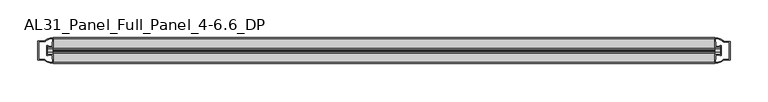
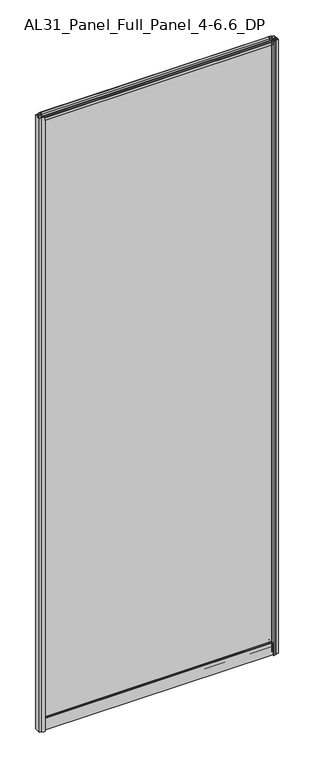
"""IFC4 building model written with IfcOpenShell, lengths in millimetres: plate geometry, AL31_Panel_Full_Panel_4-6.6_DP."""

from ifc_helpers import new_model, si_unit, point, frame, frame_2d, origin, origin_with_axes, place, context, project, spatial, polyline, circle_curve, trimmed, segment, composite_curve, outline, extrude, source, transform, mapped, element, save


def al31_panel_full_panel_4_6_6_dp_337364ea(model_context):
    return source(origin(), model_context, "Body", "SweptSolid", [
        extrude(outline(composite_curve([segment(trimmed(circle_curve(frame_2d((-19.957, 2461.8572926)), 3.0), [point((-18.457, 2464.4553688))], [point((-17.4851586, 2460.1572926))], False, "CARTESIAN"), True, "CONTINUOUS"), segment(polyline([(-17.4851586, 2460.1572926), (-4.157, 2460.1572926), (-4.157, 2469.5572926), (-2.857, 2469.5572926), (-2.857, 2459.0572926), (-13.1545312, 2459.0572926), (-13.1545312, 2458.2572926), (-13.6601218, 2456.3357964), (-13.6601218, 2451.6572926), (-14.857, 2451.6572926), (-14.857, 2456.9912672), (-14.357, 2457.8572926), (-14.357, 2459.0572926), (-25.357, 2459.0572926), (-25.357, 2457.8572926), (-24.857, 2456.9912672), (-24.857, 2451.6572926), (-26.0538782, 2451.6572926), (-26.0538782, 2456.3357964), (-26.5594688, 2458.2572926), (-26.5594688, 2459.0572926), (-36.857, 2459.0572926), (-36.857, 2469.5572926), (-35.557, 2469.5572926), (-35.557, 2460.1572926), (-22.4288414, 2460.1572926)]), True, "CONTINUOUS"), segment(trimmed(circle_curve(frame_2d((-19.957, 2461.8572926)), 3.0), [point((-22.4288414, 2460.1572926))], [point((-21.457, 2464.4553688))], False, "CARTESIAN"), True, "CONTINUOUS"), segment(polyline([(-21.457, 2464.4553688), (-20.907, 2463.5027409)]), True, "CONTINUOUS"), segment(trimmed(circle_curve(frame_2d((-19.957, 2461.8572926)), 1.9), [point((-20.907, 2463.5027409))], [point((-19.007, 2463.5027409))], True, "CARTESIAN"), True, "CONTINUOUS"), segment(polyline([(-19.007, 2463.5027409), (-18.457, 2464.4553688)]), True, "CONTINUOUS")], self_intersect=False)), frame((-435.5, 0.0, 0.0), z_axis=(1.0, 0.0, 0.0), x_axis=(0.0, 1.0, 0.0)), (0.0, 0.0, 1.0), 871.0),
        extrude(outline(composite_curve([segment(polyline([(-11.457, 35.8), (-28.257, 35.8)]), True, "CONTINUOUS"), segment(trimmed(circle_curve(frame_2d((-28.257, 34.8)), 1.0), [point((-28.257, 35.8))], [point((-29.257, 34.8))], True, "CARTESIAN"), True, "CONTINUOUS"), segment(polyline([(-29.257, 34.8), (-29.257, 33.5), (-24.8569697, 33.5), (-24.8569697, 32.3), (-29.257, 32.3), (-29.257, 0.0), (-30.457, 0.0), (-30.457, 47.3)]), True, "CONTINUOUS"), segment(trimmed(circle_curve(frame_2d((-28.457, 47.3)), 2.0), [point((-30.457, 47.3))], [point((-28.457, 49.3))], False, "CARTESIAN"), True, "CONTINUOUS"), segment(polyline([(-28.457, 49.3), (-24.857, 49.3), (-24.857, 41.9), (-14.857, 41.9), (-14.857, 49.3), (-11.257, 49.3)]), True, "CONTINUOUS"), segment(trimmed(circle_curve(frame_2d((-11.257, 47.3)), 2.0), [point((-11.257, 49.3))], [point((-9.257, 47.3))], False, "CARTESIAN"), True, "CONTINUOUS"), segment(polyline([(-9.257, 47.3), (-9.257, 0.0), (-10.457, 0.0), (-10.457, 32.3), (-14.8569697, 32.3), (-14.8569697, 33.5), (-10.457, 33.5), (-10.457, 34.8)]), True, "CONTINUOUS"), segment(trimmed(circle_curve(frame_2d((-11.457, 34.8)), 1.0), [point((-10.457, 34.8))], [point((-11.457, 35.8))], True, "CARTESIAN"), True, "CONTINUOUS")], self_intersect=False), holes=[composite_curve([segment(polyline([(-26.3594688, 41.8), (-26.3594688, 42.9)]), True, "CONTINUOUS"), segment(trimmed(circle_curve(frame_2d((-25.1594688, 42.9)), 1.2), [point((-26.3594688, 42.9))], [point((-25.9768184, 43.7786009))], False, "CARTESIAN"), True, "CONTINUOUS"), segment(polyline([(-25.9768184, 43.7786009), (-25.9768184, 48.2), (-28.257, 48.2)]), True, "CONTINUOUS"), segment(trimmed(circle_curve(frame_2d((-28.257, 47.2)), 1.0), [point((-28.257, 48.2))], [point((-29.257, 47.2))], True, "CARTESIAN"), True, "CONTINUOUS"), segment(polyline([(-29.257, 47.2), (-29.257, 37.04), (-22.6578965, 37.04), (-22.6578965, 38.0725806), (-21.6940508, 38.0725806)]), True, "CONTINUOUS"), segment(trimmed(circle_curve(frame_2d((-19.857, 39.1)), 2.1048387), [point((-21.6940508, 38.0725806))], [point((-18.0199492, 38.0725806))], True, "CARTESIAN"), True, "CONTINUOUS"), segment(polyline([(-18.0199492, 38.0725806), (-17.0561035, 38.0725806), (-17.0561035, 37.04), (-10.457, 37.04), (-10.457, 47.2)]), True, "CONTINUOUS"), segment(trimmed(circle_curve(frame_2d((-11.457, 47.2)), 1.0), [point((-10.457, 47.2))], [point((-11.457, 48.2))], True, "CARTESIAN"), True, "CONTINUOUS"), segment(polyline([(-11.457, 48.2), (-13.7371816, 48.2), (-13.7371816, 43.5786009)]), True, "CONTINUOUS"), segment(trimmed(circle_curve(frame_2d((-14.5545312, 42.7)), 1.2), [point((-13.7371816, 43.5786009))], [point((-13.3545312, 42.7))], False, "CARTESIAN"), True, "CONTINUOUS"), segment(polyline([(-13.3545312, 42.7), (-13.3545312, 41.8)]), True, "CONTINUOUS"), segment(trimmed(circle_curve(frame_2d((-14.3545312, 41.8)), 1.0), [point((-13.3545312, 41.8))], [point((-14.3545312, 40.8))], False, "CARTESIAN"), True, "CONTINUOUS"), segment(polyline([(-14.3545312, 40.8), (-17.0561035, 40.8), (-17.0561035, 39.7274194), (-18.0199492, 39.7274194)]), True, "CONTINUOUS"), segment(trimmed(circle_curve(frame_2d((-19.857, 38.7)), 2.1048387), [point((-18.0199492, 39.7274194))], [point((-21.6940508, 39.7274194))], True, "CARTESIAN"), True, "CONTINUOUS"), segment(polyline([(-21.6940508, 39.7274194), (-22.6578965, 39.7274194), (-22.6578965, 40.8), (-25.3594688, 40.8)]), True, "CONTINUOUS"), segment(trimmed(circle_curve(frame_2d((-25.3594688, 41.8)), 1.0), [point((-25.3594688, 40.8))], [point((-26.3594688, 41.8))], False, "CARTESIAN"), True, "CONTINUOUS")], self_intersect=False)]), frame((-435.5, 0.0, 0.0), z_axis=(1.0, 0.0, 0.0), x_axis=(0.0, 1.0, 0.0)), (0.0, 0.0, 1.0), 871.0),
        extrude(outline(composite_curve([segment(polyline([(-443.3414214, -25.757), (-442.1414214, -25.757), (-442.1414214, -24.857), (-435.5, -24.857), (-435.5, -36.8571453)]), True, "CONTINUOUS"), segment(trimmed(circle_curve(frame_2d((-435.1353484, -16.8604698)), 20.0), [point((-435.5, -36.8571453))], [point((-446.8558352, -33.0663388))], False, "CARTESIAN"), True, "CONTINUOUS"), segment(polyline([(-446.8558352, -33.0663388), (-446.8558352, -32.1849343), (-455.5, -32.1849343), (-455.5, -7.4849343), (-446.8558352, -7.4849343), (-446.8558352, -6.6474751)]), True, "CONTINUOUS"), segment(trimmed(circle_curve(frame_2d((-435.1353484, -22.8533441)), 20.0), [point((-446.8558352, -6.6474751))], [point((-435.5, -2.8566686))], False, "CARTESIAN"), True, "CONTINUOUS"), segment(polyline([(-435.5, -2.8566686), (-435.5, -14.857), (-442.1414214, -14.857), (-442.1414214, -13.957), (-443.3414214, -13.957), (-443.3414214, -25.757)]), True, "CONTINUOUS")], self_intersect=False), holes=[composite_curve([segment(trimmed(circle_curve(frame_2d((-442.3414214, -14.157)), 1.5), [point((-442.3414214, -12.657))], [point((-440.9861671, -13.5141269))], False, "CARTESIAN"), True, "CONTINUOUS"), segment(polyline([(-440.9861671, -13.5141269), (-437.2414214, -13.5141269), (-437.2414214, -8.917777), (-436.8020815, -7.8571168), (-436.8020815, -4.2070183)]), True, "CONTINUOUS"), segment(trimmed(circle_curve(frame_2d((-435.1353484, -22.8325921)), 18.7), [point((-436.8020815, -4.2070183))], [point((-445.1421262, -7.0353013))], True, "CARTESIAN"), True, "CONTINUOUS"), segment(trimmed(circle_curve(frame_2d((-446.9414214, -6.9849343)), 1.8), [point((-445.1421262, -7.0353013))], [point((-446.9414214, -8.7849343))], False, "CARTESIAN"), True, "CONTINUOUS"), segment(polyline([(-446.9414214, -8.7849343), (-454.0828427, -8.7849343), (-454.0828427, -13.3550394), (-453.6414214, -14.417777), (-453.6414214, -25.2520916), (-454.1414214, -26.2449987), (-454.1414214, -30.8849343), (-446.9414214, -30.8849343)]), True, "CONTINUOUS"), segment(trimmed(circle_curve(frame_2d((-446.9414214, -32.6849343)), 1.8), [point((-446.9414214, -30.8849343))], [point((-445.1421262, -32.6345673))], False, "CARTESIAN"), True, "CONTINUOUS"), segment(trimmed(circle_curve(frame_2d((-435.1353484, -16.8372765)), 18.7), [point((-445.1421262, -32.6345673))], [point((-436.8020815, -35.4628503))], True, "CARTESIAN"), True, "CONTINUOUS"), segment(polyline([(-436.8020815, -35.4628503), (-436.8020815, -31.8127518), (-437.2414214, -30.7520916), (-437.2414214, -26.1561308), (-440.9662696, -26.1561308)]), True, "CONTINUOUS"), segment(trimmed(circle_curve(frame_2d((-442.3414214, -25.557)), 1.5), [point((-440.9662696, -26.1561308))], [point((-442.3414214, -27.057))], False, "CARTESIAN"), True, "CONTINUOUS"), segment(polyline([(-442.3414214, -27.057), (-444.6414214, -27.057), (-444.6414214, -12.657), (-442.3414214, -12.657)]), True, "CONTINUOUS")], self_intersect=False)]), origin_with_axes(), (0.0, 0.0, 1.0), 2469.5572926),
        extrude(outline(composite_curve([segment(polyline([(443.3414214, -13.957), (442.1414214, -13.957), (442.1414214, -14.857), (435.5, -14.857), (435.5, -2.8568547)]), True, "CONTINUOUS"), segment(trimmed(circle_curve(frame_2d((435.1353484, -22.8535302)), 20.0), [point((435.5, -2.8568547))], [point((446.8558352, -6.6476612))], False, "CARTESIAN"), True, "CONTINUOUS"), segment(polyline([(446.8558352, -6.6476612), (446.8558352, -7.5290657), (455.5, -7.5290657), (455.5, -32.2290657), (446.8558352, -32.2290657), (446.8558352, -33.0665249)]), True, "CONTINUOUS"), segment(trimmed(circle_curve(frame_2d((435.1353484, -16.8606559)), 20.0), [point((446.8558352, -33.0665249))], [point((435.5, -36.8573314))], False, "CARTESIAN"), True, "CONTINUOUS"), segment(polyline([(435.5, -36.8573314), (435.5, -24.857), (442.1414214, -24.857), (442.1414214, -25.757), (443.3414214, -25.757), (443.3414214, -13.957)]), True, "CONTINUOUS")], self_intersect=False), holes=[composite_curve([segment(trimmed(circle_curve(frame_2d((442.3414214, -25.557)), 1.5), [point((442.3414214, -27.057))], [point((440.9861671, -26.1998731))], False, "CARTESIAN"), True, "CONTINUOUS"), segment(polyline([(440.9861671, -26.1998731), (437.2414214, -26.1998731), (437.2414214, -30.796223), (436.8020815, -31.8568832), (436.8020815, -35.5069817)]), True, "CONTINUOUS"), segment(trimmed(circle_curve(frame_2d((435.1353484, -16.8814079)), 18.7), [point((436.8020815, -35.5069817))], [point((445.1421262, -32.6786987))], True, "CARTESIAN"), True, "CONTINUOUS"), segment(trimmed(circle_curve(frame_2d((446.9414214, -32.7290657)), 1.8), [point((445.1421262, -32.6786987))], [point((446.9414214, -30.9290657))], False, "CARTESIAN"), True, "CONTINUOUS"), segment(polyline([(446.9414214, -30.9290657), (454.0828427, -30.9290657), (454.0828427, -26.3589606), (453.6414214, -25.296223), (453.6414214, -14.4619084), (454.1414214, -13.4690013), (454.1414214, -8.8290657), (446.9414214, -8.8290657)]), True, "CONTINUOUS"), segment(trimmed(circle_curve(frame_2d((446.9414214, -7.0290657)), 1.8), [point((446.9414214, -8.8290657))], [point((445.1421262, -7.0794327))], False, "CARTESIAN"), True, "CONTINUOUS"), segment(trimmed(circle_curve(frame_2d((435.1353484, -22.8767235)), 18.7), [point((445.1421262, -7.0794327))], [point((436.8020815, -4.2511497))], True, "CARTESIAN"), True, "CONTINUOUS"), segment(polyline([(436.8020815, -4.2511497), (436.8020815, -7.9012482), (437.2414214, -8.9619084), (437.2414214, -13.5578692), (440.9662696, -13.5578692)]), True, "CONTINUOUS"), segment(trimmed(circle_curve(frame_2d((442.3414214, -14.157)), 1.5), [point((440.9662696, -13.5578692))], [point((442.3414214, -12.657))], False, "CARTESIAN"), True, "CONTINUOUS"), segment(polyline([(442.3414214, -12.657), (444.6414214, -12.657), (444.6414214, -27.057), (442.3414214, -27.057)]), True, "CONTINUOUS")], self_intersect=False)]), origin_with_axes(), (0.0, 0.0, 1.0), 2469.5572926),
        extrude(outline(polyline([(443.3414214, -17.857), (443.3414214, -21.857), (-443.3414214, -21.857), (-443.3414214, -17.857), (443.3414214, -17.857)])), frame((0.0, 0.0, 41.9), z_axis=(0.0, 0.0, 1.0), x_axis=(1.0, 0.0, 0.0)), (0.0, 0.0, 1.0), 2417.1572926),
    ])


if __name__ == "__main__":
    model = new_model("IFC4")
    model_context = context("Model", 3, world=origin())
    ifc_project = project(units=[si_unit("LENGTHUNIT", "METRE", prefix="MILLI")], contexts=[model_context])
    site = spatial("IfcSite", under=ifc_project)
    building = spatial("IfcBuilding", under=site)
    placement = place(None, origin())
    al31_panel_full_panel_4_6_6_dp_shape = al31_panel_full_panel_4_6_6_dp_337364ea(model_context)
    element("IfcPlate", 1, ObjectType="AL31_Panel_Full_Panel_4-6.6_DP", at=placement, inside=building, context=model_context, shape_type="MappedRepresentation", body=[
        mapped(al31_panel_full_panel_4_6_6_dp_shape, transform((0.0, 0.0, 0.0), x_axis=(1.0, 0.0, 0.0), y_axis=(0.0, 1.0, 0.0), z_axis=(0.0, 0.0, 1.0))),
    ])
    save(model, "model.ifc")
